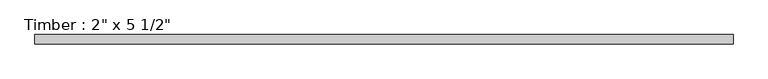
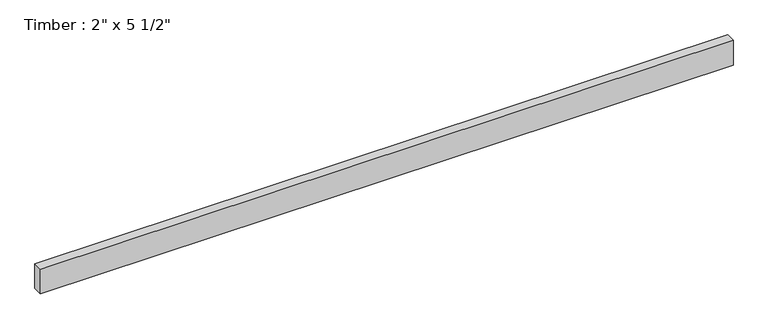
"""IFC4 building model written with IfcOpenShell, lengths in millimetres: beam geometry."""

from ifc_helpers import new_model, si_unit, frame, origin, place, context, project, spatial, polyline, outline, extrude, source, transform, mapped, element, save


def beam_3865af65(model_context):
    return source(origin(), model_context, "Body", "SweptSolid", [
        extrude(outline(polyline([(1854.4103183, 25.4), (1854.4103183, -25.4), (-1854.4103183, -25.4), (-1854.4103183, 25.4), (1854.4103183, 25.4)])), frame((0.0, 0.0, -69.85), z_axis=(0.0, 0.0, 1.0), x_axis=(1.0, 0.0, 0.0)), (0.0, 0.0, 1.0), 139.7),
    ])


if __name__ == "__main__":
    model = new_model("IFC4")
    model_context = context("Model", 3, world=origin())
    ifc_project = project(units=[si_unit("LENGTHUNIT", "METRE", prefix="MILLI")], contexts=[model_context])
    site = spatial("IfcSite", under=ifc_project)
    building = spatial("IfcBuilding", under=site)
    placement = place(None, origin())
    beam_shape = beam_3865af65(model_context)
    element("IfcBeam", 1, ObjectType="Timber : 2\" x 5 1/2\"", at=placement, inside=building, context=model_context, shape_type="MappedRepresentation", body=[
        mapped(beam_shape, transform((0.0, 0.0, 0.0), x_axis=(1.0, 0.0, 0.0), y_axis=(0.0, 1.0, 0.0), z_axis=(0.0, 0.0, 1.0))),
    ])
    save(model, "model.ifc")
